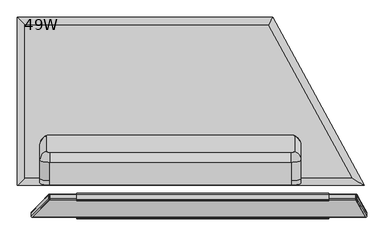
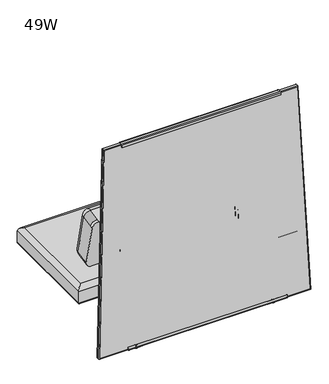
"""IFC4 building model written with IfcOpenShell, lengths in millimetres: furniture geometry, 49W."""

from ifc_helpers import new_model, si_unit, point, frame, frame_2d, origin, place, context, project, spatial, polyline, circle_curve, ellipse_curve, trimmed, segment, composite_curve, outline, extrude, source, transform, mapped, element, save
from ifc_brep_helpers import plane_surface, cylinder_surface, revolved_surface, advanced_brep


def furniture_49w_f621fc2a(model_context):
    return source(origin(), model_context, "Body", "SolidModel", [
        extrude(outline(composite_curve([segment(trimmed(circle_curve(frame_2d((0.0, -1.3809271)), 1.3809271), [point((0.0, -2.7618542))], [point((1.380927, -1.3809275))], True, "CARTESIAN"), True, "CONTINUOUS"), segment(polyline([(1.380927, -1.3809275), (1.380933, 22.0070548)]), True, "CONTINUOUS"), segment(trimmed(circle_curve(frame_2d((0.0128466, 22.0070551)), 1.3680864), [point((1.380933, 22.0070548))], [point((0.0128466, 23.3751415))], True, "CARTESIAN"), True, "CONTINUOUS"), segment(polyline([(0.0128466, 23.3751415), (-29.8525087, 23.3751415)]), True, "CONTINUOUS"), segment(trimmed(circle_curve(frame_2d((-29.8525087, 28.1797797)), 4.8046382), [point((-29.8525087, 23.3751415))], [point((-34.6571469, 28.1797797))], False, "CARTESIAN"), True, "CONTINUOUS"), segment(polyline([(-34.6571469, 28.1797797), (-34.6571469, 46.0826012), (-31.6077448, 46.0826012), (-31.6077494, 28.2553863)]), True, "CONTINUOUS"), segment(trimmed(circle_curve(frame_2d((-30.2577073, 28.255386)), 1.3500421), [point((-31.6077494, 28.2553863))], [point((-30.2577073, 26.9053439))], True, "CARTESIAN"), True, "CONTINUOUS"), segment(polyline([(-30.2577073, 26.9053439), (-0.2870619, 26.9053439)]), True, "CONTINUOUS"), segment(trimmed(circle_curve(frame_2d((-0.2870619, 22.1894731)), 4.7158708), [point((-0.2870619, 26.9053439))], [point((4.428809, 22.1894719))], False, "CARTESIAN"), True, "CONTINUOUS"), segment(polyline([(4.428809, 22.1894719), (4.4288032, -0.6723231)]), True, "CONTINUOUS"), segment(trimmed(circle_curve(frame_2d((-0.7084719, -0.6723218)), 5.1372751), [point((4.4288032, -0.6723231))], [point((-0.7084719, -5.809597))], False, "CARTESIAN"), True, "CONTINUOUS"), segment(polyline([(-0.7084719, -5.809597), (-8.144073, -5.809597), (-8.144073, -2.7618542), (0.0, -2.7618542)]), True, "CONTINUOUS")], self_intersect=False)), frame((899.6751415, 51.2771859, 562.9379975), z_axis=(0.0, 0.08715574274766424, 0.996194698091745), x_axis=(0.0, 0.996194698091745, -0.08715574274766424)), (0.0, 0.0, 1.0), 51.1352235),
        extrude(outline(composite_curve([segment(polyline([(-2.4039227, 19.3703361), (-18.8919156, 20.2344351)]), True, "CONTINUOUS"), segment(trimmed(circle_curve(frame_2d((-18.6526375, 24.800132)), 4.5719626), [point((-18.8919156, 20.2344351))], [point((-23.2162566, 25.0762164))], False, "CARTESIAN"), True, "CONTINUOUS"), segment(polyline([(-23.2162566, 25.0762164), (-22.4585421, 39.5342703), (-20.1749938, 39.4145946), (-20.9327541, 24.95567)]), True, "CONTINUOUS"), segment(trimmed(circle_curve(frame_2d((-18.6507538, 24.8360754)), 2.285132), [point((-20.9327541, 24.95567))], [point((-18.7703484, 22.5540751))], True, "CARTESIAN"), True, "CONTINUOUS"), segment(polyline([(-18.7703484, 22.5540751), (-2.2823555, 21.689976)]), True, "CONTINUOUS"), segment(trimmed(circle_curve(frame_2d((-2.1627609, 23.9719763)), 2.285132), [point((-2.2823555, 21.689976))], [point((0.1192394, 23.8523818))], True, "CARTESIAN"), True, "CONTINUOUS"), segment(polyline([(0.1192394, 23.8523818), (0.8769993, 38.3113064), (3.1606988, 38.1916228), (2.4031314, 23.7363749)]), True, "CONTINUOUS"), segment(trimmed(circle_curve(frame_2d((-2.2023575, 23.9777383)), 4.6118092), [point((2.4031314, 23.7363749))], [point((-2.4039227, 19.3703361))], False, "CARTESIAN"), True, "CONTINUOUS")], self_intersect=False)), frame((215.9, 0.0, 0.0), z_axis=(1.0, 0.0, 0.0), x_axis=(0.0, 1.0, 0.0)), (0.0, 0.0, 1.0), 913.3357285),
        extrude(outline(composite_curve([segment(polyline([(8.144073, 0.0), (0.0, 0.0), (0.0, 3.0477428), (7.4356011, 3.0477428)]), True, "CONTINUOUS"), segment(trimmed(circle_curve(frame_2d((7.4356011, -2.0895324)), 5.1372751), [point((7.4356011, 3.0477428))], [point((12.5728762, -2.0895311))], False, "CARTESIAN"), True, "CONTINUOUS"), segment(polyline([(12.5728762, -2.0895311), (12.5728819, -24.9513261)]), True, "CONTINUOUS"), segment(trimmed(circle_curve(frame_2d((7.8570111, -24.9513273)), 4.7158708), [point((12.5728819, -24.9513261))], [point((7.8570142, -29.6671981))], False, "CARTESIAN"), True, "CONTINUOUS"), segment(polyline([(7.8570142, -29.6671981), (-22.1136353, -29.6671981)]), True, "CONTINUOUS"), segment(trimmed(circle_curve(frame_2d((-22.1136344, -31.0172402)), 1.3500421), [point((-22.1136353, -29.6671981))], [point((-23.4636765, -31.0172405))], True, "CARTESIAN"), True, "CONTINUOUS"), segment(polyline([(-23.4636765, -31.0172405), (-23.4636719, -48.8444554), (-26.513074, -48.8444554), (-26.513074, -31.423839)]), True, "CONTINUOUS"), segment(trimmed(circle_curve(frame_2d((-21.7084358, -31.423839)), 4.8046382), [point((-26.513074, -31.423839))], [point((-21.7084389, -26.6192008))], False, "CARTESIAN"), True, "CONTINUOUS"), segment(polyline([(-21.7084389, -26.6192008), (8.1569205, -26.6192008)]), True, "CONTINUOUS"), segment(trimmed(circle_curve(frame_2d((8.1569196, -25.2511144)), 1.3680864), [point((8.1569205, -26.6192008))], [point((9.525006, -25.2511141))], True, "CARTESIAN"), True, "CONTINUOUS"), segment(polyline([(9.525006, -25.2511141), (9.525, -1.3809267)]), True, "CONTINUOUS"), segment(trimmed(circle_curve(frame_2d((8.144073, -1.3809271)), 1.3809271), [point((9.525, -1.3809267))], [point((8.144073, 0.0))], True, "CARTESIAN"), True, "CONTINUOUS")], self_intersect=False)), frame((215.1630043, 43.1641036, 563.6478002), z_axis=(0.0, 0.08715574274766426, 0.996194698091745), x_axis=(0.0, 0.996194698091745, -0.08715574274766426)), (0.0, 0.0, 1.0), 51.1352235),
        extrude(outline(composite_curve([segment(polyline([(8.1440729, 0.0), (0.0, 0.0), (0.0, 3.0477428), (7.435601, 3.0477428)]), True, "CONTINUOUS"), segment(trimmed(circle_curve(frame_2d((7.435601, -2.0895324)), 5.1372751), [point((7.435601, 3.0477428))], [point((12.5728761, -2.0895311))], False, "CARTESIAN"), True, "CONTINUOUS"), segment(polyline([(12.5728761, -2.0895311), (12.5728819, -24.9513338)]), True, "CONTINUOUS"), segment(trimmed(circle_curve(frame_2d((7.8570111, -24.951335)), 4.7158708), [point((12.5728819, -24.9513338))], [point((7.8570111, -29.6672059))], False, "CARTESIAN"), True, "CONTINUOUS"), segment(polyline([(7.8570111, -29.6672059), (-10.2073845, -29.6672059)]), True, "CONTINUOUS"), segment(trimmed(circle_curve(frame_2d((-10.2073845, -31.017248)), 1.3500421), [point((-10.2073845, -29.6672059))], [point((-11.5574266, -31.0172483))], True, "CARTESIAN"), True, "CONTINUOUS"), segment(polyline([(-11.5574266, -31.0172483), (-11.5574219, -48.8444632), (-14.606824, -48.8444632), (-14.606824, -31.4238468)]), True, "CONTINUOUS"), segment(trimmed(circle_curve(frame_2d((-9.8021859, -31.4238468)), 4.8046382), [point((-14.606824, -31.4238468))], [point((-9.8021859, -26.6192086))], False, "CARTESIAN"), True, "CONTINUOUS"), segment(polyline([(-9.8021859, -26.6192086), (8.1569196, -26.6192086)]), True, "CONTINUOUS"), segment(trimmed(circle_curve(frame_2d((8.1569196, -25.2511222)), 1.3680864), [point((8.1569196, -26.6192086))], [point((9.525006, -25.2511218))], True, "CARTESIAN"), True, "CONTINUOUS"), segment(polyline([(9.525006, -25.2511218), (9.525, -1.3809267)]), True, "CONTINUOUS"), segment(trimmed(circle_curve(frame_2d((8.1440729, -1.3809271)), 1.3809271), [point((9.525, -1.3809267))], [point((8.1440729, 0.0))], True, "CARTESIAN"), True, "CONTINUOUS")], self_intersect=False)), frame((215.1630043, 24.2408127, 144.8059002), z_axis=(0.0, 0.05233595624294945, 0.9986295347545736), x_axis=(0.0, 0.9986295347545736, -0.05233595624294945)), (0.0, 0.0, 1.0), 50.4083184),
        extrude(outline(composite_curve([segment(polyline([(-18.5911719, 20.5975436), (21.1676183, 20.5975436)]), True, "CONTINUOUS"), segment(trimmed(circle_curve(frame_2d((21.1676183, 22.2066346)), 1.609091), [point((21.1676183, 20.5975436))], [point((22.7108138, 22.6623993))], True, "CARTESIAN"), True, "CONTINUOUS"), segment(polyline([(22.7108138, 22.6623993), (4.5957637, 83.9990238), (4.5957637, 96.8063842), (8.0168765, 96.8063842), (8.0168765, 84.5839696), (25.9416036, 23.891769)]), True, "CONTINUOUS"), segment(trimmed(circle_curve(frame_2d((20.9377121, 22.4139285)), 5.217561), [point((25.9416036, 23.891769))], [point((20.9377121, 17.1963676))], False, "CARTESIAN"), True, "CONTINUOUS"), segment(polyline([(20.9377121, 17.1963676), (-17.0817223, 17.1963676)]), True, "CONTINUOUS"), segment(trimmed(circle_curve(frame_2d((-17.0817223, 22.1226629)), 4.9262954), [point((-17.0817223, 17.1963676))], [point((-22.0080176, 22.1226629))], False, "CARTESIAN"), True, "CONTINUOUS"), segment(polyline([(-22.0080176, 22.1226629), (-22.0080176, 36.4727737), (-18.5911719, 36.4727737), (-18.5911719, 20.5975436)]), True, "CONTINUOUS")], self_intersect=False)), frame((1052.8411576, 0.0, 0.0), z_axis=(1.0, 0.0, 0.0), x_axis=(0.0, 1.0, 0.0)), (0.0, 0.0, 1.0), 25.4),
        extrude(outline(composite_curve([segment(trimmed(circle_curve(frame_2d((1068.7752022, 13.6862365)), 15.0532637), [point((1056.7767002, 4.5957637))], [point((1055.6924381, 21.1321769))], False, "CARTESIAN"), True, "CONTINUOUS"), segment(polyline([(1055.6924381, 21.1321769), (1076.2740263, 21.1321769)]), True, "CONTINUOUS"), segment(trimmed(circle_curve(frame_2d((1063.1912621, 13.6862365)), 15.0532637), [point((1076.2740263, 21.1321769))], [point((1075.1897641, 4.5957637))], False, "CARTESIAN"), True, "CONTINUOUS"), segment(polyline([(1075.1897641, 4.5957637), (1056.7767002, 4.5957637)]), True, "CONTINUOUS")], self_intersect=False)), frame((0.0, 0.0, 13.858606), z_axis=(0.0, 0.0, 1.0), x_axis=(1.0, 0.0, 0.0)), (0.0, 0.0, 1.0), 3.3377616),
        advanced_brep(
        [(1065.5411576, 16.1234282, 14.8752118), (1065.5411576, 16.7103659, 13.858606), (1065.5411576, 8.9130793, 13.858606), (1065.5411576, 9.500017, 14.8752118), (1065.5411576, 20.7423395, 11.2402116), (1065.5411576, 4.8811056, 11.2402116), (1065.5411576, 20.7423395, 8.74896), (1065.5411576, 4.8811056, 8.74896), (1065.5411576, 19.1606704, 8.74896), (1065.5411576, 6.4627748, 8.74896), (1065.5411576, 24.0202895, 5.9432577), (1065.5411576, 1.6031557, 5.9432577), (1065.5411576, 27.2109452, 3.5556814), (1065.5411576, -1.5875, 3.5556814), (1065.5411576, 25.1580539, 0.0), (1065.5411576, 0.4653912, 0.0), (1065.5411576, 12.8117226, 0.0), (1065.5411576, 12.8117226, 17.1963676), (1065.5411576, 16.7630713, 17.1963676), (1065.5411576, 8.8603739, 17.1963676), (1065.5411576, 16.7630713, 15.514855), (1065.5411576, 8.8603739, 15.514855)],
        [
            (0, 1),
            (1, 2, circle_curve(frame((1065.5411576, 12.8117226, 13.858606), z_axis=(0.0, 0.0, 1.0), x_axis=(0.0, -1.0, 0.0)), 3.8986433)),
            (2, 3),
            (3, 0, circle_curve(frame((1065.5411576, 12.8117226, 14.8752118), z_axis=(0.0, 0.0, -1.0), x_axis=(0.0, -1.0, 0.0)), 3.3117056)),
            (2, 1, circle_curve(frame((1065.5411576, 12.8117226, 13.858606), z_axis=(0.0, 0.0, 1.0), x_axis=(0.0, -1.0, 0.0)), 3.8986433)),
            (0, 3, circle_curve(frame((1065.5411576, 12.8117226, 14.8752118), z_axis=(0.0, 0.0, -1.0), x_axis=(0.0, -1.0, 0.0)), 3.3117056)),
            (1, 4),
            (4, 5, circle_curve(frame((1065.5411576, 12.8117226, 11.2402116), z_axis=(0.0, 0.0, 1.0), x_axis=(0.0, -1.0, 0.0)), 7.930617)),
            (5, 2),
            (5, 4, circle_curve(frame((1065.5411576, 12.8117226, 11.2402116), z_axis=(0.0, 0.0, 1.0), x_axis=(0.0, -1.0, 0.0)), 7.930617)),
            (4, 6),
            (6, 7, circle_curve(frame((1065.5411576, 12.8117226, 8.74896), z_axis=(0.0, 0.0, 1.0), x_axis=(0.0, -1.0, 0.0)), 7.930617)),
            (7, 5),
            (7, 6, circle_curve(frame((1065.5411576, 12.8117226, 8.74896), z_axis=(0.0, 0.0, 1.0), x_axis=(0.0, -1.0, 0.0)), 7.930617)),
            (6, 8),
            (8, 9, circle_curve(frame((1065.5411576, 12.8117226, 8.74896), z_axis=(0.0, 0.0, 1.0), x_axis=(0.0, -1.0, 0.0)), 6.3489478)),
            (9, 7),
            (9, 8, circle_curve(frame((1065.5411576, 12.8117226, 8.74896), z_axis=(0.0, 0.0, 1.0), x_axis=(0.0, -1.0, 0.0)), 6.3489478)),
            (8, 10, circle_curve(frame((1065.5411576, 23.6729154, 10.9529929), z_axis=(1.0, 0.0, 0.0), x_axis=(0.0, -1.0, 0.0)), 5.0217642)),
            (10, 11, circle_curve(frame((1065.5411576, 12.8117226, 5.9432577), z_axis=(0.0, 0.0, 1.0), x_axis=(0.0, -1.0, 0.0)), 11.2085669)),
            (11, 9, circle_curve(frame((1065.5411576, 1.9505298, 10.9529929), z_axis=(1.0, 0.0, 0.0), x_axis=(0.0, 1.0, 0.0)), 5.0217642)),
            (11, 10, circle_curve(frame((1065.5411576, 12.8117226, 5.9432577), z_axis=(0.0, 0.0, 1.0), x_axis=(0.0, -1.0, 0.0)), 11.2085669)),
            (10, 12, circle_curve(frame((1065.5411576, 24.2313377, 2.8995769), z_axis=(-1.0, 0.0, 0.0), x_axis=(0.0, -1.0, 0.0)), 3.050989)),
            (12, 13, circle_curve(frame((1065.5411576, 12.8117226, 3.5556814), z_axis=(0.0, 0.0, 1.0), x_axis=(0.0, -1.0, 0.0)), 14.3992226)),
            (13, 11, circle_curve(frame((1065.5411576, 1.3921075, 2.8995769), z_axis=(-1.0, 0.0, 0.0), x_axis=(0.0, 1.0, 0.0)), 3.050989)),
            (13, 12, circle_curve(frame((1065.5411576, 12.8117226, 3.5556814), z_axis=(0.0, 0.0, 1.0), x_axis=(0.0, -1.0, 0.0)), 14.3992226)),
            (12, 14),
            (14, 15, circle_curve(frame((1065.5411576, 12.8117226, 0.0), z_axis=(0.0, 0.0, 1.0), x_axis=(0.0, -1.0, 0.0)), 12.3463313)),
            (15, 13),
            (15, 14, circle_curve(frame((1065.5411576, 12.8117226, 0.0), z_axis=(0.0, 0.0, 1.0), x_axis=(0.0, -1.0, 0.0)), 12.3463313)),
            (14, 16),
            (16, 15),
            (17, 18),
            (18, 19, circle_curve(frame((1065.5411576, 12.8117226, 17.1963676), z_axis=(0.0, 0.0, 1.0), x_axis=(0.0, -1.0, 0.0)), 3.9513487)),
            (19, 17),
            (19, 18, circle_curve(frame((1065.5411576, 12.8117226, 17.1963676), z_axis=(0.0, 0.0, 1.0), x_axis=(0.0, -1.0, 0.0)), 3.9513487)),
            (18, 20),
            (20, 21, circle_curve(frame((1065.5411576, 12.8117226, 15.514855), z_axis=(0.0, 0.0, 1.0), x_axis=(0.0, -1.0, 0.0)), 3.9513487)),
            (21, 19),
            (21, 20, circle_curve(frame((1065.5411576, 12.8117226, 15.514855), z_axis=(0.0, 0.0, 1.0), x_axis=(0.0, -1.0, 0.0)), 3.9513487)),
            (20, 0),
            (3, 21),
        ],
        [
            revolved_surface(polyline([(1065.5411576, 8.9130793, 13.858606), (1065.5411576, 9.500017, 14.8752118)]), (1065.5411576, 12.8117226, 0.0), (0.0, 0.0, 1.0)),
            revolved_surface(polyline([(1065.5411576, 4.8811056, 11.2402116), (1065.5411576, 8.9130793, 13.858606)]), (1065.5411576, 12.8117226, 0.0), (0.0, 0.0, 1.0)),
            cylinder_surface(frame((1065.5411576, 12.8117226, 0.0), z_axis=(0.0, 0.0, 1.0), x_axis=(0.0, -1.0, 0.0)), 7.930617),
            plane_surface(frame((1065.5411576, 12.8117226, 8.74896), z_axis=(0.0, 0.0, -1.0), x_axis=(0.0, -1.0, 0.0))),
            revolved_surface(trimmed(ellipse_curve(frame((1065.5411576, 1.9505298, 10.9529929), z_axis=(1.0, 0.0, 0.0), x_axis=(0.0, 1.0, 0.0)), 5.0217642, 5.0217642), [point((1065.5411576, 1.6031557, 5.9432577))], [point((1065.5411576, 6.4627748, 8.74896))], True, "CARTESIAN"), (1065.5411576, 12.8117226, 0.0), (0.0, 0.0, 1.0)),
            revolved_surface(trimmed(ellipse_curve(frame((1065.5411576, 1.3921075, 2.8995769), z_axis=(-1.0, 0.0, 0.0), x_axis=(0.0, 1.0, 0.0)), 3.050989, 3.050989), [point((1065.5411576, -1.5875, 3.5556814))], [point((1065.5411576, 1.6031557, 5.9432577))], True, "CARTESIAN"), (1065.5411576, 12.8117226, 0.0), (0.0, 0.0, 1.0)),
            revolved_surface(polyline([(1065.5411576, 0.4653912, 0.0), (1065.5411576, -1.5875, 3.5556814)]), (1065.5411576, 12.8117226, 0.0), (0.0, 0.0, 1.0)),
            plane_surface(frame((1065.5411576, 12.8117226, 0.0), z_axis=(0.0, 0.0, -1.0), x_axis=(0.0, -1.0, 0.0))),
            plane_surface(frame((1065.5411576, 12.8117226, 17.1963676), z_axis=(0.0, 0.0, 1.0), x_axis=(0.0, -1.0, 0.0))),
            cylinder_surface(frame((1065.5411576, 12.8117226, 0.0), z_axis=(0.0, 0.0, 1.0), x_axis=(0.0, -1.0, 0.0)), 3.9513487),
            revolved_surface(polyline([(1065.5411576, 9.500017, 14.8752118), (1065.5411576, 8.8603739, 15.514855)]), (1065.5411576, 12.8117226, 0.0), (0.0, 0.0, 1.0)),
        ],
        [
            (0, [[1, 2, 3, 4]]),
            (0, [[-3, 5, -1, 6]]),
            (1, [[7, 8, 9, -2]]),
            (1, [[-9, 10, -7, -5]]),
            (2, [[11, 12, 13, -8]]),
            (2, [[-13, 14, -11, -10]]),
            (3, [[15, 16, 17, -12]]),
            (3, [[-17, 18, -15, -14]]),
            (4, [[19, 20, 21, -16]]),
            (4, [[-21, 22, -19, -18]]),
            (5, [[23, 24, 25, -20]]),
            (5, [[-25, 26, -23, -22]]),
            (6, [[27, 28, 29, -24]]),
            (6, [[-29, 30, -27, -26]]),
            (7, [[31, 32, -28]]),
            (7, [[-32, -31, -30]]),
            (8, [[33, 34, 35]]),
            (8, [[-35, 36, -33]]),
            (9, [[37, 38, 39, -34]]),
            (9, [[-39, 40, -37, -36]]),
            (10, [[41, -4, 42, -38]]),
            (10, [[-42, -6, -41, -40]]),
        ],
    ),
        extrude(outline(composite_curve([segment(polyline([(288.427787, 4.5957637), (270.0147231, 4.5957637)]), True, "CONTINUOUS"), segment(trimmed(circle_curve(frame_2d((282.0132252, 13.6862365)), 15.0532637), [point((270.0147231, 4.5957637))], [point((268.930461, 21.1321769))], False, "CARTESIAN"), True, "CONTINUOUS"), segment(polyline([(268.930461, 21.1321769), (289.5120492, 21.1321769)]), True, "CONTINUOUS"), segment(trimmed(circle_curve(frame_2d((276.429285, 13.6862365)), 15.0532637), [point((289.5120492, 21.1321769))], [point((288.427787, 4.5957637))], False, "CARTESIAN"), True, "CONTINUOUS")], self_intersect=False)), frame((0.0, 0.0, 13.858606), z_axis=(0.0, 0.0, 1.0), x_axis=(1.0, 0.0, 0.0)), (0.0, 0.0, 1.0), 3.3377616),
        advanced_brep(
        [(279.230466, 16.7103659, 13.858606), (279.230466, 16.1234282, 14.8752118), (279.230466, 9.500017, 14.8752118), (279.230466, 8.9130793, 13.858606), (279.230466, 20.7423395, 11.2402116), (279.230466, 4.8811056, 11.2402116), (279.230466, 20.7423395, 8.74896), (279.230466, 4.8811056, 8.74896), (279.230466, 19.1606704, 8.74896), (279.230466, 6.4627748, 8.74896), (279.230466, 24.0202895, 5.9432577), (279.230466, 1.6031557, 5.9432577), (279.230466, 27.2109452, 3.5556814), (279.230466, -1.5875, 3.5556814), (279.230466, 25.1580539, 0.0), (279.230466, 0.4653912, 0.0), (279.230466, 12.8117226, 0.0), (279.230466, 16.7630713, 17.1963676), (279.230466, 12.8117226, 17.1963676), (279.230466, 8.8603739, 17.1963676), (279.230466, 16.7630713, 15.514855), (279.230466, 8.8603739, 15.514855)],
        [
            (0, 1),
            (1, 2, circle_curve(frame((279.230466, 12.8117226, 14.8752118), z_axis=(0.0, 0.0, -1.0), x_axis=(0.0, -1.0, 0.0)), 3.3117056)),
            (2, 3),
            (3, 0, circle_curve(frame((279.230466, 12.8117226, 13.858606), z_axis=(0.0, 0.0, 1.0), x_axis=(0.0, -1.0, 0.0)), 3.8986433)),
            (2, 1, circle_curve(frame((279.230466, 12.8117226, 14.8752118), z_axis=(0.0, 0.0, -1.0), x_axis=(0.0, -1.0, 0.0)), 3.3117056)),
            (0, 3, circle_curve(frame((279.230466, 12.8117226, 13.858606), z_axis=(0.0, 0.0, 1.0), x_axis=(0.0, -1.0, 0.0)), 3.8986433)),
            (4, 0),
            (3, 5),
            (5, 4, circle_curve(frame((279.230466, 12.8117226, 11.2402116), z_axis=(0.0, 0.0, 1.0), x_axis=(0.0, -1.0, 0.0)), 7.930617)),
            (4, 5, circle_curve(frame((279.230466, 12.8117226, 11.2402116), z_axis=(0.0, 0.0, 1.0), x_axis=(0.0, -1.0, 0.0)), 7.930617)),
            (6, 4),
            (5, 7),
            (7, 6, circle_curve(frame((279.230466, 12.8117226, 8.74896), z_axis=(0.0, 0.0, 1.0), x_axis=(0.0, -1.0, 0.0)), 7.930617)),
            (6, 7, circle_curve(frame((279.230466, 12.8117226, 8.74896), z_axis=(0.0, 0.0, 1.0), x_axis=(0.0, -1.0, 0.0)), 7.930617)),
            (8, 6),
            (7, 9),
            (9, 8, circle_curve(frame((279.230466, 12.8117226, 8.74896), z_axis=(0.0, 0.0, 1.0), x_axis=(0.0, -1.0, 0.0)), 6.3489478)),
            (8, 9, circle_curve(frame((279.230466, 12.8117226, 8.74896), z_axis=(0.0, 0.0, 1.0), x_axis=(0.0, -1.0, 0.0)), 6.3489478)),
            (10, 8, circle_curve(frame((279.230466, 23.6729154, 10.9529929), z_axis=(-1.0, 0.0, 0.0), x_axis=(0.0, -1.0, 0.0)), 5.0217642)),
            (9, 11, circle_curve(frame((279.230466, 1.9505298, 10.9529929), z_axis=(-1.0, 0.0, 0.0), x_axis=(0.0, 1.0, 0.0)), 5.0217642)),
            (11, 10, circle_curve(frame((279.230466, 12.8117226, 5.9432577), z_axis=(0.0, 0.0, 1.0), x_axis=(0.0, -1.0, 0.0)), 11.2085669)),
            (10, 11, circle_curve(frame((279.230466, 12.8117226, 5.9432577), z_axis=(0.0, 0.0, 1.0), x_axis=(0.0, -1.0, 0.0)), 11.2085669)),
            (12, 10, circle_curve(frame((279.230466, 24.2313377, 2.8995769), z_axis=(1.0, 0.0, 0.0), x_axis=(0.0, -1.0, 0.0)), 3.050989)),
            (11, 13, circle_curve(frame((279.230466, 1.3921075, 2.8995769), z_axis=(1.0, 0.0, 0.0), x_axis=(0.0, 1.0, 0.0)), 3.050989)),
            (13, 12, circle_curve(frame((279.230466, 12.8117226, 3.5556814), z_axis=(0.0, 0.0, 1.0), x_axis=(0.0, -1.0, 0.0)), 14.3992226)),
            (12, 13, circle_curve(frame((279.230466, 12.8117226, 3.5556814), z_axis=(0.0, 0.0, 1.0), x_axis=(0.0, -1.0, 0.0)), 14.3992226)),
            (14, 12),
            (13, 15),
            (15, 14, circle_curve(frame((279.230466, 12.8117226, 0.0), z_axis=(0.0, 0.0, 1.0), x_axis=(0.0, -1.0, 0.0)), 12.3463313)),
            (14, 15, circle_curve(frame((279.230466, 12.8117226, 0.0), z_axis=(0.0, 0.0, 1.0), x_axis=(0.0, -1.0, 0.0)), 12.3463313)),
            (16, 14),
            (15, 16),
            (17, 18),
            (18, 19),
            (19, 17, circle_curve(frame((279.230466, 12.8117226, 17.1963676), z_axis=(0.0, 0.0, 1.0), x_axis=(0.0, -1.0, 0.0)), 3.9513487)),
            (17, 19, circle_curve(frame((279.230466, 12.8117226, 17.1963676), z_axis=(0.0, 0.0, 1.0), x_axis=(0.0, -1.0, 0.0)), 3.9513487)),
            (20, 17),
            (19, 21),
            (21, 20, circle_curve(frame((279.230466, 12.8117226, 15.514855), z_axis=(0.0, 0.0, 1.0), x_axis=(0.0, -1.0, 0.0)), 3.9513487)),
            (20, 21, circle_curve(frame((279.230466, 12.8117226, 15.514855), z_axis=(0.0, 0.0, 1.0), x_axis=(0.0, -1.0, 0.0)), 3.9513487)),
            (1, 20),
            (21, 2),
        ],
        [
            revolved_surface(polyline([(279.230466, 9.500017, 14.8752118), (279.230466, 8.9130793, 13.858606)]), (279.230466, 12.8117226, 0.0), (0.0, 0.0, -1.0)),
            revolved_surface(polyline([(279.230466, 8.9130793, 13.858606), (279.230466, 4.8811056, 11.2402116)]), (279.230466, 12.8117226, 0.0), (0.0, 0.0, -1.0)),
            cylinder_surface(frame((279.230466, 12.8117226, 0.0), z_axis=(0.0, 0.0, -1.0), x_axis=(0.0, -1.0, 0.0)), 7.930617),
            plane_surface(frame((279.230466, 12.8117226, 8.74896), z_axis=(0.0, 0.0, -1.0), x_axis=(0.0, -1.0, 0.0))),
            revolved_surface(trimmed(ellipse_curve(frame((279.230466, 1.9505298, 10.9529929), z_axis=(-1.0, 0.0, 0.0), x_axis=(0.0, 1.0, 0.0)), 5.0217642, 5.0217642), [point((279.230466, 6.4627748, 8.74896))], [point((279.230466, 1.6031557, 5.9432577))], True, "CARTESIAN"), (279.230466, 12.8117226, 0.0), (0.0, 0.0, -1.0)),
            revolved_surface(trimmed(ellipse_curve(frame((279.230466, 1.3921075, 2.8995769), z_axis=(1.0, 0.0, 0.0), x_axis=(0.0, 1.0, 0.0)), 3.050989, 3.050989), [point((279.230466, 1.6031557, 5.9432577))], [point((279.230466, -1.5875, 3.5556814))], True, "CARTESIAN"), (279.230466, 12.8117226, 0.0), (0.0, 0.0, -1.0)),
            revolved_surface(polyline([(279.230466, -1.5875, 3.5556814), (279.230466, 0.4653912, 0.0)]), (279.230466, 12.8117226, 0.0), (0.0, 0.0, -1.0)),
            plane_surface(frame((279.230466, 12.8117226, 0.0), z_axis=(0.0, 0.0, -1.0), x_axis=(0.0, -1.0, 0.0))),
            plane_surface(frame((279.230466, 12.8117226, 17.1963676), z_axis=(0.0, 0.0, 1.0), x_axis=(0.0, -1.0, 0.0))),
            cylinder_surface(frame((279.230466, 12.8117226, 0.0), z_axis=(0.0, 0.0, -1.0), x_axis=(0.0, -1.0, 0.0)), 3.9513487),
            revolved_surface(polyline([(279.230466, 8.8603739, 15.514855), (279.230466, 9.500017, 14.8752118)]), (279.230466, 12.8117226, 0.0), (0.0, 0.0, -1.0)),
        ],
        [
            (0, [[1, 2, 3, 4]]),
            (0, [[-3, 5, -1, 6]]),
            (1, [[7, -4, 8, 9]]),
            (1, [[-8, -6, -7, 10]]),
            (2, [[11, -9, 12, 13]]),
            (2, [[-12, -10, -11, 14]]),
            (3, [[15, -13, 16, 17]]),
            (3, [[-16, -14, -15, 18]]),
            (4, [[19, -17, 20, 21]]),
            (4, [[-20, -18, -19, 22]]),
            (5, [[23, -21, 24, 25]]),
            (5, [[-24, -22, -23, 26]]),
            (6, [[27, -25, 28, 29]]),
            (6, [[-28, -26, -27, 30]]),
            (7, [[31, -29, 32]]),
            (7, [[-32, -30, -31]]),
            (8, [[33, 34, 35]]),
            (8, [[-34, -33, 36]]),
            (9, [[37, -35, 38, 39]]),
            (9, [[-38, -36, -37, 40]]),
            (10, [[41, -39, 42, -2]]),
            (10, [[-42, -40, -41, -5]]),
        ],
    ),
        extrude(outline(composite_curve([segment(polyline([(-18.5911719, 20.5975436), (21.1676183, 20.5975436)]), True, "CONTINUOUS"), segment(trimmed(circle_curve(frame_2d((21.1676183, 22.2066346)), 1.609091), [point((21.1676183, 20.5975436))], [point((22.7108138, 22.6623993))], True, "CARTESIAN"), True, "CONTINUOUS"), segment(polyline([(22.7108138, 22.6623993), (4.5957637, 83.9990238), (4.5957637, 96.8063842), (8.0168765, 96.8063842), (8.0168765, 84.5839696), (25.9416036, 23.891769)]), True, "CONTINUOUS"), segment(trimmed(circle_curve(frame_2d((20.9377121, 22.4139285)), 5.217561), [point((25.9416036, 23.891769))], [point((20.9377121, 17.1963676))], False, "CARTESIAN"), True, "CONTINUOUS"), segment(polyline([(20.9377121, 17.1963676), (-17.0817223, 17.1963676)]), True, "CONTINUOUS"), segment(trimmed(circle_curve(frame_2d((-17.0817223, 22.1226629)), 4.9262954), [point((-17.0817223, 17.1963676))], [point((-22.0080176, 22.1226629))], False, "CARTESIAN"), True, "CONTINUOUS"), segment(polyline([(-22.0080176, 22.1226629), (-22.0080176, 36.4727737), (-18.5911719, 36.4727737), (-18.5911719, 20.5975436)]), True, "CONTINUOUS")], self_intersect=False)), frame((259.8298168, 0.0, 0.0), z_axis=(1.0, 0.0, 0.0), x_axis=(0.0, 1.0, 0.0)), (0.0, 0.0, 1.0), 38.8216493),
        extrude(outline(composite_curve([segment(trimmed(circle_curve(frame_2d((63.1940023, 1224.9956981)), 4.6118092), [point((63.475146, 1229.5989299))], [point((67.7994912, 1224.7543347))], False, "CARTESIAN"), True, "CONTINUOUS"), segment(polyline([(67.7994912, 1224.7543347), (67.0419238, 1210.2990868), (64.7582243, 1210.4187704), (65.5159844, 1224.877695)]), True, "CONTINUOUS"), segment(trimmed(circle_curve(frame_2d((63.2339843, 1224.9972896)), 2.285132), [point((65.5159844, 1224.877695))], [point((63.3535789, 1227.2792899))], True, "CARTESIAN"), True, "CONTINUOUS"), segment(polyline([(63.3535789, 1227.2792899), (46.865586, 1228.143389)]), True, "CONTINUOUS"), segment(trimmed(circle_curve(frame_2d((46.7459914, 1225.8613887)), 2.285132), [point((46.865586, 1228.143389))], [point((44.4639911, 1225.9809832))], True, "CARTESIAN"), True, "CONTINUOUS"), segment(polyline([(44.4639911, 1225.9809832), (43.7062311, 1211.5220586), (41.4226828, 1211.6417343), (42.1803973, 1226.0997882)]), True, "CONTINUOUS"), segment(trimmed(circle_curve(frame_2d((46.7478751, 1225.8973321)), 4.5719626), [point((42.1803973, 1226.0997882))], [point((46.9871532, 1230.463029))], False, "CARTESIAN"), True, "CONTINUOUS"), segment(polyline([(46.9871532, 1230.463029), (63.475146, 1229.5989299)]), True, "CONTINUOUS")], self_intersect=False)), frame((215.9, 0.0, 0.0), z_axis=(1.0, 0.0, 0.0), x_axis=(0.0, 1.0, 0.0)), (0.0, 0.0, 1.0), 913.3357285),
        advanced_brep(
        [(116.7587904, 44.6733765, 1225.2510989), (53.8033308, -18.5975426, 25.6581603), (53.8033308, 1.8438792, 24.5800049), (116.7587904, 65.1147983, 1224.1729435), (113.9117948, 47.7971932, 1228.090615), (50.6418769, -15.78976, 22.5057899), (52.9683205, -18.6392784, 24.866865), (116.0068356, 44.7151123, 1226.0423941), (113.9117948, 62.30746, 1227.3252905), (50.6418769, -1.2794932, 21.7404653), (116.0072265, 65.1565125, 1224.9638274), (52.9687547, 1.8021651, 23.7891211), (1263.5765807, -18.5975426, 25.6581603), (1263.5765807, 1.8438792, 24.5800049), (1266.6670513, -15.78976, 22.5057899), (1264.3928427, -18.6392784, 24.866865), (1266.6670513, -1.2794932, 21.7404653), (1264.3924183, 1.8021651, 23.7891211), (1227.9236697, 44.6733765, 1225.2510989), (1227.9236697, 65.1147983, 1224.1729435), (1230.8360564, 47.7971932, 1228.090615), (1228.6928958, 44.7151123, 1226.0423941), (1230.8360564, 62.30746, 1227.3252905), (1228.6924958, 65.1565125, 1224.9638274)],
        [
            (0, 1),
            (1, 2),
            (2, 3),
            (3, 0),
            (4, 5),
            (5, 6, ellipse_curve(frame((53.910174, -15.6264027, 25.6029828), z_axis=(-0.6883545539158888, 0.038205793211199456, 0.7243675347973297), x_axis=(0.7253743916787094, 0.03625594182065723, 0.6873990824691573)), 4.5056693, 3.101498)),
            (6, 7),
            (7, 4, ellipse_curve(frame((116.8550063, 47.6338359, 1224.9934221), z_axis=(-0.7253743916787091, -0.03625594182065722, -0.6873990824691575), x_axis=(-0.6883545539158888, 0.038205793211199476, 0.7243675347973296)), 4.2757202, 3.101498)),
            (8, 9),
            (9, 5),
            (4, 8),
            (10, 11),
            (11, 9, ellipse_curve(frame((53.9093678, -1.1161762, 24.8368943), z_axis=(-0.6883545539158888, 0.038205793211199456, 0.7243675347973297), x_axis=(0.7253743916787094, 0.03625594182065723, 0.6873990824691573)), 4.5045579, 3.1007329)),
            (8, 10, ellipse_curve(frame((116.8542803, 62.144143, 1224.2288616), z_axis=(-0.7253743916787091, -0.03625594182065722, -0.6873990824691575), x_axis=(-0.6883545539158888, 0.038205793211199476, 0.7243675347973296)), 4.2746655, 3.1007329)),
            (1, 12),
            (12, 13),
            (13, 2),
            (5, 14),
            (14, 15, ellipse_curve(frame((1263.4721364, -15.6264027, 25.6029828), z_axis=(-0.6965391146472958, -0.03779203691500148, -0.7165228703343505), x_axis=(-0.7175188232836552, 0.03668702629016127, 0.695572282610243)), 4.4527262, 3.101498)),
            (15, 6),
            (9, 16),
            (16, 14),
            (11, 17),
            (17, 16, ellipse_curve(frame((1263.4729245, -1.1161762, 24.8368943), z_axis=(-0.6965391146472958, -0.03779203691500148, -0.7165228703343505), x_axis=(-0.7175188232836552, 0.03668702629016127, 0.695572282610243)), 4.4516278, 3.1007329)),
            (12, 18),
            (18, 19),
            (19, 13),
            (14, 20),
            (20, 21, ellipse_curve(frame((1227.8252439, 47.6338359, 1224.9934221), z_axis=(0.7175188232836552, -0.036687026290161275, -0.6955722826102428), x_axis=(-0.6965391146472956, -0.03779203691500147, -0.7165228703343507)), 4.3225318, 3.101498)),
            (21, 15),
            (16, 22),
            (22, 20),
            (17, 23),
            (23, 22, ellipse_curve(frame((1227.8259865, 62.144143, 1224.2288616), z_axis=(0.7175188232836552, -0.036687026290161275, -0.6955722826102428), x_axis=(-0.6965391146472956, -0.03779203691500147, -0.7165228703343507)), 4.3214656, 3.1007329)),
            (18, 0),
            (3, 19),
            (21, 7),
            (20, 4),
            (22, 8),
            (23, 10),
        ],
        [
            plane_surface(frame((116.7587904, 65.1147983, 1224.1729435), z_axis=(0.9986295316120145, -0.0027565613504242073, -0.05226337113017064), x_axis=(-0.05233601620651505, -0.05259826348579585, -0.997243382573136))),
            cylinder_surface(frame((116.8600419, 47.6388967, 1225.0893728), z_axis=(0.05233601620651508, 0.052598263485795826, 0.9972433825731362), x_axis=(0.9986295316120145, -0.0027565613504174436, -0.05226337113017102)), 3.101498),
            plane_surface(frame((113.9117948, 47.7971932, 1228.090615), z_axis=(-0.9986295316120144, 0.002756561350415666, 0.05226337113017111), x_axis=(-0.052336016206515075, -0.05259826348579585, -0.997243382573136))),
            cylinder_surface(frame((116.8592779, 62.1491656, 1224.3240882), z_axis=(0.05233601620651508, 0.052598263485795826, 0.9972433825731362), x_axis=(0.9986295316120145, -0.0027565613504174436, -0.05226337113017102)), 3.1007329),
            plane_surface(frame((53.8033308, 1.8438792, 24.5800049), z_axis=(0.0, 0.05267044666792856, 0.9986119486806679), x_axis=(1.0, 0.0, 0.0))),
            cylinder_surface(frame((53.8033308, -15.6264027, 25.6029828), z_axis=(-1.0000000000000002, 0.0, 0.0), x_axis=(0.0, 0.05267044666793532, 0.9986119486806676)), 3.101498),
            plane_surface(frame((50.6418769, -15.78976, 22.5057899), z_axis=(0.0, -0.0526704466679371, -0.9986119486806675), x_axis=(1.0, 0.0, 0.0))),
            cylinder_surface(frame((53.8033308, -1.1161762, 24.8368943), z_axis=(-1.0000000000000002, 0.0, 0.0), x_axis=(0.0, 0.05267044666793532, 0.9986119486806676)), 3.1007329),
            plane_surface(frame((1263.5765807, 1.8438792, 24.5800049), z_axis=(-0.9995598518255335, -0.0015625490455600604, -0.029625344875592673), x_axis=(-0.02966652353272263, 0.052647263866986094, 0.9981724114544553))),
            cylinder_surface(frame((1263.4752349, -15.6319014, 25.4987294), z_axis=(0.029666523532722717, -0.05264726386698609, -0.9981724114544553), x_axis=(-0.9995598518255335, -0.0015625490455533147, -0.029625344875593117)), 3.101498),
            plane_surface(frame((1266.6670513, -15.78976, 22.5057899), z_axis=(0.9995598518255335, 0.0015625490455515206, 0.029625344875593), x_axis=(-0.029666523532722505, 0.05264726386698609, 0.9981724114544553))),
            cylinder_surface(frame((1263.4759996, -1.1216335, 24.7334275), z_axis=(0.029666523532722717, -0.05264726386698609, -0.9981724114544553), x_axis=(-0.9995598518255335, -0.0015625490455533147, -0.029625344875593117)), 3.1007329),
            plane_surface(frame((1227.9236697, 65.1147983, 1224.1729435), z_axis=(0.0, -0.05267044666794205, -0.9986119486806672), x_axis=(-1.0, 0.0, 0.0))),
            plane_surface(frame((1227.9236697, 44.6733765, 1225.2510989), z_axis=(0.0, -0.9986119486806676, 0.05267044666793407), x_axis=(-1.0, 0.0, 0.0))),
            cylinder_surface(frame((1227.9236697, 47.6338359, 1224.9934221), z_axis=(1.0, 0.0, 0.0), x_axis=(0.0, -0.052670446667935314, -0.9986119486806675)), 3.101498),
            plane_surface(frame((1230.8360564, 47.7971932, 1228.090615), z_axis=(0.0, 0.05267044666793351, 0.9986119486806676), x_axis=(-1.0, 0.0, 0.0))),
            cylinder_surface(frame((1227.9236697, 62.144143, 1224.2288616), z_axis=(1.0, 0.0, 0.0), x_axis=(0.0, -0.052670446667935314, -0.9986119486806675)), 3.1007329),
            plane_surface(frame((1228.6924958, 65.1565125, 1224.9638274), z_axis=(0.0, 0.9986119486806678, -0.0526704466679301), x_axis=(-1.0, 0.0, 0.0))),
        ],
        [
            (0, [[1, 2, 3, 4]]),
            (1, [[5, 6, 7, 8]]),
            (2, [[9, 10, -5, 11]]),
            (3, [[12, 13, -9, 14]]),
            (4, [[15, 16, 17, -2]]),
            (5, [[18, 19, 20, -6]]),
            (6, [[21, 22, -18, -10]]),
            (7, [[23, 24, -21, -13]]),
            (8, [[25, 26, 27, -16]]),
            (9, [[28, 29, 30, -19]]),
            (10, [[31, 32, -28, -22]]),
            (11, [[33, 34, -31, -24]]),
            (12, [[35, -4, 36, -26]]),
            (13, [[-7, -20, -30, 37], [-1, -35, -25, -15]]),
            (14, [[38, -8, -37, -29]]),
            (15, [[39, -11, -38, -32]]),
            (16, [[40, -14, -39, -34]]),
            (17, [[-12, -40, -33, -23], [-3, -17, -27, -36]]),
        ],
    ),
        extrude(outline(polyline([(0.0, 0.0), (62.9554596, 1201.2603496), (1174.1203389, 1201.2603496), (1209.7732499, 0.0), (0.0, 0.0)])), frame((53.8033308, 1.8438792, 24.5800049), z_axis=(0.0, -0.9986119486806675, 0.0526704466679353), x_axis=(1.0, 0.0, 0.0)), (0.0, 0.0, 1.0), 20.469835),
        advanced_brep(
        [(116.7721752, 217.2921337, 767.8572736), (992.8225, 217.2921337, 767.8572736), (1005.5225, 220.1490121, 755.4827738), (1005.5225, 276.0967018, 513.1467057), (992.8225, 278.9535802, 500.7722059), (116.7721752, 278.9535802, 500.7722059), (104.0721752, 276.0967018, 513.1467057), (104.0721752, 220.1490121, 755.4827738), (116.7721752, 98.3553775, 763.566931), (81.4976079, 106.2904287, 729.1964486), (81.4976079, 162.2381183, 486.8603805), (116.7721752, 170.1731694, 452.4898981), (992.8225, 170.1731694, 452.4898981), (1028.0970673, 162.2381183, 486.8603805), (1028.0970673, 106.2904287, 729.1964486), (992.8225, 98.3553775, 763.566931), (992.8225, 113.2061417, 766.9955001), (992.8225, 179.8740623, 782.3870023), (116.7721752, 179.8740623, 782.3870023), (116.7721752, 113.2061417, 766.9955001), (1028.0970673, 121.1411928, 732.6250176), (1028.0970673, 177.0888824, 490.2889496), (1028.0970673, 243.7568031, 505.6804518), (1028.0970673, 187.8091134, 748.0165199), (992.8225, 185.0239336, 455.9184671), (116.7721752, 185.0239336, 455.9184671), (116.7721752, 251.6918542, 471.3099694), (992.8225, 251.6918542, 471.3099694), (81.4976079, 177.0888824, 490.2889496), (81.4976079, 121.1411928, 732.6250176), (81.4976079, 187.8091134, 748.0165199), (81.4976079, 243.7568031, 505.6804518)],
        [
            (0, 1),
            (1, 2, circle_curve(frame((992.8225, 220.1490121, 755.4827738), z_axis=(0.0, 0.9743700647852357, 0.22495105434386325), x_axis=(1.0, 0.0, 0.0)), 12.7)),
            (2, 3),
            (3, 4, circle_curve(frame((992.8225, 276.0967018, 513.1467057), z_axis=(0.0, 0.9743700647852357, 0.22495105434386325), x_axis=(0.0, 0.22495105434386325, -0.9743700647852357)), 12.7)),
            (4, 5),
            (5, 6, circle_curve(frame((116.7721752, 276.0967018, 513.1467057), z_axis=(0.0, 0.9743700647852357, 0.22495105434386325), x_axis=(-1.0000000000000002, 0.0, 0.0)), 12.7)),
            (6, 7),
            (7, 0, circle_curve(frame((116.7721752, 220.1490121, 755.4827738), z_axis=(0.0, 0.9743700647852357, 0.22495105434386325), x_axis=(0.0, -0.22495105434386325, 0.9743700647852357)), 12.7)),
            (8, 9, circle_curve(frame((116.7721752, 106.2904287, 729.1964486), z_axis=(0.0, -0.9743700647852356, -0.22495105434386348), x_axis=(-1.0, 0.0, 0.0)), 35.2745673)),
            (9, 10),
            (10, 11, circle_curve(frame((116.7721752, 162.2381183, 486.8603805), z_axis=(0.0, -0.9743700647852356, -0.22495105434386348), x_axis=(-1.0, 0.0, 0.0)), 35.2745673)),
            (11, 12),
            (12, 13, circle_curve(frame((992.8225, 162.2381183, 486.8603805), z_axis=(0.0, -0.9743700647852357, -0.22495105434386348), x_axis=(-1.0, 0.0, 0.0)), 35.2745673)),
            (13, 14),
            (14, 15, circle_curve(frame((992.8225, 106.2904287, 729.1964486), z_axis=(0.0, -0.9743700647852357, -0.22495105434386348), x_axis=(-1.0, 0.0, 0.0)), 35.2745673)),
            (15, 8),
            (15, 16),
            (16, 17),
            (17, 18),
            (18, 19),
            (19, 8),
            (14, 20),
            (20, 16, circle_curve(frame((992.8225, 121.1411928, 732.6250176), z_axis=(0.0, -0.9743700647852357, -0.22495105434386348), x_axis=(-1.0, 0.0, 0.0)), 35.2745673)),
            (13, 21),
            (21, 22),
            (22, 23),
            (23, 20),
            (12, 24),
            (24, 21, circle_curve(frame((992.8225, 177.0888824, 490.2889496), z_axis=(0.0, -0.9743700647852357, -0.22495105434386348), x_axis=(-1.0, 0.0, 0.0)), 35.2745673)),
            (11, 25),
            (25, 26),
            (26, 27),
            (27, 24),
            (10, 28),
            (28, 25, circle_curve(frame((116.7721752, 177.0888824, 490.2889496), z_axis=(0.0, -0.9743700647852356, -0.22495105434386348), x_axis=(-1.0, 0.0, 0.0)), 35.2745673)),
            (9, 29),
            (29, 30),
            (30, 31),
            (31, 28),
            (19, 29, circle_curve(frame((116.7721752, 121.1411928, 732.6250176), z_axis=(0.0, -0.9743700647852356, -0.22495105434386348), x_axis=(-1.0, 0.0, 0.0)), 35.2745673)),
            (18, 30, circle_curve(frame((116.7721752, 187.8091134, 748.0165199), z_axis=(0.0, -0.9743700647852357, -0.22495105434386325), x_axis=(0.0, -0.22495105434386325, 0.9743700647852357)), 35.2745673)),
            (31, 26, circle_curve(frame((116.7721752, 243.7568031, 505.6804518), z_axis=(0.0, -0.9743700647852357, -0.22495105434386325), x_axis=(-1.0000000000000002, 0.0, 0.0)), 35.2745673)),
            (27, 22, circle_curve(frame((992.8225, 243.7568031, 505.6804518), z_axis=(0.0, -0.9743700647852357, -0.22495105434386325), x_axis=(0.0, 0.22495105434386325, -0.9743700647852357)), 35.2745673)),
            (23, 17, circle_curve(frame((992.8225, 187.8091134, 748.0165199), z_axis=(0.0, -0.9743700647852357, -0.22495105434386325), x_axis=(1.0, 0.0, 0.0)), 35.2745673)),
            (18, 0, circle_curve(frame((116.7721752, 187.9018304, 747.6149186), z_axis=(-1.0000000000000004, 0.0, 0.0), x_axis=(0.0, 0.22495105434386323, -0.9743700647852357)), 35.6867324)),
            (7, 30, circle_curve(frame((117.1843403, 187.8091134, 748.0165199), z_axis=(0.0, -0.2249510543438633, 0.9743700647852357), x_axis=(1.0000000000000004, 0.0, 0.0)), 35.6867324)),
            (6, 31, circle_curve(frame((117.1843403, 243.7568031, 505.6804518), z_axis=(0.0, -0.22495105434386328, 0.9743700647852358), x_axis=(1.0, 0.0, 0.0)), 35.6867324)),
            (5, 26, circle_curve(frame((116.7721752, 243.6640861, 506.0820531), z_axis=(-1.0000000000000002, 0.0, 0.0), x_axis=(0.0, -0.22495105434386342, 0.9743700647852361)), 35.6867324)),
            (4, 27, circle_curve(frame((992.8225, 243.6640861, 506.0820531), z_axis=(-1.0, 0.0, 0.0), x_axis=(0.0, -0.22495105434386334, 0.9743700647852357)), 35.6867324)),
            (3, 22, circle_curve(frame((992.4103349, 243.7568031, 505.6804518), z_axis=(0.0, 0.22495105434386314, -0.9743700647852357), x_axis=(-1.0000000000000002, 0.0, 0.0)), 35.6867324)),
            (2, 23, circle_curve(frame((992.4103349, 187.8091134, 748.0165199), z_axis=(0.0, 0.2249510543438631, -0.9743700647852358), x_axis=(-1.0, 0.0, 0.0)), 35.6867324)),
            (1, 17, circle_curve(frame((992.8225, 187.9018304, 747.6149186), z_axis=(1.0, 0.0, 0.0), x_axis=(0.0, 0.22495105434386317, -0.9743700647852357)), 35.6867324)),
        ],
        [
            plane_surface(frame((992.8225, 217.2921337, 767.8572736), z_axis=(0.0, 0.9743700647852357, 0.22495105434386348), x_axis=(-1.0, 0.0, 0.0))),
            plane_surface(frame((992.8225, 98.3553775, 763.566931), z_axis=(0.0, -0.9743700647852357, -0.22495105434386348), x_axis=(1.0, 0.0, 0.0))),
            plane_surface(frame((116.7721752, 98.3553775, 763.566931), z_axis=(0.0, -0.22495105434386667, 0.9743700647852349), x_axis=(0.0, 0.9743700647852349, 0.22495105434386667))),
            cylinder_surface(frame((992.8225, 121.1411928, 732.6250176), z_axis=(0.0, -0.9743700647852357, -0.22495105434386348), x_axis=(-1.0, 0.0, 0.0)), 35.2745673),
            plane_surface(frame((1028.0970673, 106.2904287, 729.1964486), z_axis=(1.0, 0.0, 0.0), x_axis=(0.0, 0.9743700647852349, 0.22495105434386667))),
            cylinder_surface(frame((992.8225, 177.0888824, 490.2889496), z_axis=(0.0, -0.9743700647852357, -0.22495105434386348), x_axis=(-1.0, 0.0, 0.0)), 35.2745673),
            plane_surface(frame((992.8225, 170.1731694, 452.4898981), z_axis=(0.0, 0.2249510543438627, -0.9743700647852358), x_axis=(0.0, 0.9743700647852358, 0.2249510543438627))),
            cylinder_surface(frame((116.7721752, 177.0888824, 490.2889496), z_axis=(0.0, -0.9743700647852356, -0.22495105434386348), x_axis=(-1.0, 0.0, 0.0)), 35.2745673),
            plane_surface(frame((81.4976079, 162.2381183, 486.8603805), z_axis=(-1.0, 0.0, 0.0), x_axis=(0.0, 0.9743700647852359, 0.2249510543438622))),
            cylinder_surface(frame((116.7721752, 121.1411928, 732.6250176), z_axis=(0.0, -0.9743700647852356, -0.22495105434386348), x_axis=(-1.0, 0.0, 0.0)), 35.2745673),
            cylinder_surface(frame((116.7721752, 220.1490121, 755.4827738), z_axis=(0.0, 0.9743700647852359, 0.2249510543438633), x_axis=(0.0, -0.22495105434386325, 0.9743700647852357)), 35.2745673),
            cylinder_surface(frame((116.7721752, 276.0967018, 513.1467057), z_axis=(0.0, 0.9743700647852359, 0.2249510543438633), x_axis=(-1.0000000000000002, 0.0, 0.0)), 35.2745673),
            cylinder_surface(frame((992.8225, 276.0967018, 513.1467057), z_axis=(0.0, 0.9743700647852357, 0.22495105434386325), x_axis=(0.0, 0.22495105434386325, -0.9743700647852357)), 35.2745673),
            cylinder_surface(frame((992.8225, 220.1490121, 755.4827738), z_axis=(0.0, 0.9743700647852357, 0.22495105434386325), x_axis=(1.0, 0.0, 0.0)), 35.2745673),
            revolved_surface(trimmed(ellipse_curve(frame((116.7721752, 187.9018304, 747.6149186), z_axis=(-1.0000000000000004, 0.0, 0.0), x_axis=(0.0, 0.22495105434386323, -0.9743700647852357)), 35.6867324, 35.6867324), [point((116.7721752, 179.8740623, 782.3870023))], [point((116.7721752, 217.2921337, 767.8572736))], True, "CARTESIAN"), (116.7721752, 220.1490121, 755.4827738), (0.0, 0.9743700647852359, 0.2249510543438633)),
            cylinder_surface(frame((117.1843403, 187.8091134, 748.0165199), z_axis=(0.0, -0.22495105434386323, 0.9743700647852356), x_axis=(1.0, 0.0, 0.0)), 35.6867324),
            revolved_surface(trimmed(ellipse_curve(frame((117.1843403, 243.7568031, 505.6804518), z_axis=(0.0, 0.22495105434386323, -0.9743700647852361), x_axis=(1.0000000000000002, 0.0, 0.0)), 35.6867324, 35.6867324), [point((81.4976079, 243.7568031, 505.6804518))], [point((104.0721752, 276.0967018, 513.1467057))], True, "CARTESIAN"), (116.7721752, 276.0967018, 513.1467057), (0.0, 0.9743700647852359, 0.2249510543438633)),
            cylinder_surface(frame((116.7721752, 243.6640861, 506.0820531), z_axis=(-1.0000000000000002, 0.0, 0.0), x_axis=(0.0, -0.22495105434386334, 0.9743700647852357)), 35.6867324),
            revolved_surface(trimmed(ellipse_curve(frame((992.8225, 243.6640861, 506.0820531), z_axis=(1.0000000000000002, 0.0, 0.0), x_axis=(0.0, -0.22495105434386334, 0.9743700647852357)), 35.6867324, 35.6867324), [point((992.8225, 251.6918542, 471.3099694))], [point((992.8225, 278.9535802, 500.7722059))], True, "CARTESIAN"), (992.8225, 276.0967018, 513.1467057), (0.0, 0.9743700647852357, 0.22495105434386325)),
            cylinder_surface(frame((992.4103349, 243.7568031, 505.6804518), z_axis=(0.0, 0.2249510543438631, -0.9743700647852358), x_axis=(-1.0, 0.0, 0.0)), 35.6867324),
            revolved_surface(trimmed(ellipse_curve(frame((992.4103349, 187.8091134, 748.0165199), z_axis=(0.0, -0.22495105434386312, 0.9743700647852357), x_axis=(-1.0, 0.0, 0.0)), 35.6867324, 35.6867324), [point((1028.0970673, 187.8091134, 748.0165199))], [point((1005.5225, 220.1490121, 755.4827738))], True, "CARTESIAN"), (992.8225, 220.1490121, 755.4827738), (0.0, 0.9743700647852357, 0.22495105434386325)),
            cylinder_surface(frame((992.8225, 187.9018304, 747.6149186), z_axis=(1.0000000000000002, 0.0, 0.0), x_axis=(0.0, 0.22495105434386317, -0.9743700647852357)), 35.6867324),
        ],
        [
            (0, [[1, 2, 3, 4, 5, 6, 7, 8]]),
            (1, [[9, 10, 11, 12, 13, 14, 15, 16]]),
            (2, [[17, 18, 19, 20, 21, -16]]),
            (3, [[22, 23, -17, -15]]),
            (4, [[24, 25, 26, 27, -22, -14]]),
            (5, [[28, 29, -24, -13]]),
            (6, [[30, 31, 32, 33, -28, -12]]),
            (7, [[34, 35, -30, -11]]),
            (8, [[36, 37, 38, 39, -34, -10]]),
            (9, [[-21, 40, -36, -9]]),
            (10, [[-37, -40, -20, 41]]),
            (11, [[42, -31, -35, -39]]),
            (12, [[43, -25, -29, -33]]),
            (13, [[44, -18, -23, -27]]),
            (14, [[45, -8, 46, -41]]),
            (15, [[-46, -7, 47, -38]]),
            (16, [[-47, -6, 48, -42]]),
            (17, [[-48, -5, 49, -32]]),
            (18, [[-49, -4, 50, -43]]),
            (19, [[-50, -3, 51, -26]]),
            (20, [[-51, -2, 52, -44]]),
            (21, [[-52, -1, -45, -19]]),
        ],
    ),
        advanced_brep(
        [(27.2635975, 123.7984512, 405.8895176), (1212.6876051, 123.7984512, 405.8895176), (910.1596882, 678.8688097, 405.8895176), (27.2635975, 678.8688097, 405.8895176), (6.3491764, 699.7832308, 304.2919641), (922.5798503, 699.7832308, 304.2919641), (1247.9055843, 102.8840302, 304.2919641), (6.3491764, 102.8840302, 304.2919641), (-0.0008236, 96.5340302, 310.6419641), (-0.0008236, 706.1332308, 310.6419641), (-0.0008236, 96.5340302, 379.4503267), (-0.0008236, 706.1332308, 379.4503267), (926.3508382, 706.1332308, 310.6419641), (926.3508382, 706.1332308, 379.4503267), (1258.5984056, 96.5340302, 310.6419641), (1258.5984056, 96.5340302, 379.4503267)],
        [
            (0, 1),
            (1, 2),
            (2, 3),
            (3, 0),
            (4, 5),
            (5, 6),
            (6, 7),
            (7, 4),
            (8, 9),
            (9, 4, ellipse_curve(frame((6.3491764, 699.7832308, 310.6419641), z_axis=(-0.7071067811865466, -0.7071067811865485, 0.0), x_axis=(0.7071067811865483, -0.7071067811865466, 0.0)), 8.9802561, 6.35)),
            (7, 8, ellipse_curve(frame((6.3491764, 102.8840302, 310.6419641), z_axis=(-0.7071067811865485, 0.7071067811865465, 0.0), x_axis=(-0.7071067811865464, -0.7071067811865487, 0.0)), 8.9802561, 6.35)),
            (8, 10),
            (10, 11),
            (11, 9),
            (10, 0, ellipse_curve(frame((26.4508562, 122.98571, 379.4503267), z_axis=(-0.7071067811865485, 0.7071067811865465, 0.0), x_axis=(-0.7071067811865464, -0.7071067811865487, 0.0)), 37.4083243, 26.4516798)),
            (3, 11, ellipse_curve(frame((26.4508562, 679.681551, 379.4503267), z_axis=(-0.7071067811865466, -0.7071067811865485, 0.0), x_axis=(0.7071067811865483, -0.7071067811865466, 0.0)), 37.4083243, 26.4516798)),
            (9, 12),
            (12, 5, ellipse_curve(frame((922.5798503, 699.7832308, 310.6419641), z_axis=(-0.859814593718969, 0.5106063693569485, 0.0), x_axis=(-0.5106063693569483, -0.8598145937189691, 0.0)), 7.3853131, 6.35)),
            (11, 13),
            (13, 12),
            (2, 13, ellipse_curve(frame((910.6423398, 679.681551, 379.4503267), z_axis=(-0.859814593718969, 0.5106063693569485, 0.0), x_axis=(-0.5106063693569483, -0.8598145937189691, 0.0)), 30.7643997, 26.4516798)),
            (12, 14),
            (14, 6, ellipse_curve(frame((1247.9055843, 102.8840302, 310.6419641), z_axis=(0.5106063693569484, 0.859814593718969, 0.0), x_axis=(-0.859814593718969, 0.5106063693569484, 0.0)), 12.4361943, 6.35)),
            (13, 15),
            (15, 14),
            (1, 15, ellipse_curve(frame((1214.0561873, 122.98571, 379.4503267), z_axis=(0.5106063693569484, 0.859814593718969, 0.0), x_axis=(-0.859814593718969, 0.5106063693569484, 0.0)), 51.8044455, 26.4516798)),
            (14, 8),
            (15, 10),
        ],
        [
            plane_surface(frame((910.1596882, 678.8688097, 405.8895176), z_axis=(0.0, 0.0, 1.0), x_axis=(1.0, 0.0, 0.0))),
            plane_surface(frame((910.1596882, 678.8688097, 304.2919641), z_axis=(0.0, 0.0, -1.0), x_axis=(-1.0, 0.0, 0.0))),
            cylinder_surface(frame((6.3491764, 123.7984512, 310.6419641), z_axis=(0.0, -1.0, 0.0), x_axis=(1.0, 0.0, 0.0)), 6.35),
            plane_surface(frame((-0.0008236, 96.5340302, 310.6419641), z_axis=(-1.0, 0.0, 0.0), x_axis=(0.0, 1.0, 0.0))),
            cylinder_surface(frame((26.4508562, 123.7984512, 379.4503267), z_axis=(0.0, -1.0, 0.0), x_axis=(1.0, 0.0, 0.0)), 26.4516798),
            cylinder_surface(frame((27.2635975, 699.7832308, 310.6419641), z_axis=(-1.0, 0.0, 0.0), x_axis=(0.0, -1.0, 0.0)), 6.35),
            plane_surface(frame((-0.0008236, 706.1332308, 310.6419641), z_axis=(0.0, 1.0, 0.0), x_axis=(1.0, 0.0, 0.0))),
            cylinder_surface(frame((27.2635975, 679.681551, 379.4503267), z_axis=(-1.0, 0.0, 0.0), x_axis=(0.0, -1.0, 0.0)), 26.4516798),
            cylinder_surface(frame((928.5236713, 688.8776626, 310.6419641), z_axis=(-0.47856227114423067, 0.8780536160379251, 0.0), x_axis=(-0.8780536160379251, -0.47856227114423067, 0.0)), 6.35),
            plane_surface(frame((926.3508382, 706.1332308, 310.6419641), z_axis=(0.8780536160379253, 0.47856227114423017, 0.0), x_axis=(0.47856227114423017, -0.8780536160379253, 0.0))),
            cylinder_surface(frame((910.8733186, 679.257757, 379.4503267), z_axis=(-0.47856227114423067, 0.8780536160379251, 0.0), x_axis=(-0.8780536160379251, -0.47856227114423067, 0.0)), 26.4516798),
            cylinder_surface(frame((1212.6876051, 102.8840302, 310.6419641), z_axis=(1.0, 0.0, 0.0), x_axis=(0.0, 1.0, 0.0)), 6.35),
            plane_surface(frame((1258.5984056, 96.5340302, 310.6419641), z_axis=(0.0, -1.0, 0.0), x_axis=(-1.0, 0.0, 0.0))),
            cylinder_surface(frame((1212.6876051, 122.98571, 379.4503267), z_axis=(1.0, 0.0, 0.0), x_axis=(0.0, 1.0, 0.0)), 26.4516798),
        ],
        [
            (0, [[1, 2, 3, 4]]),
            (1, [[5, 6, 7, 8]]),
            (2, [[9, 10, -8, 11]]),
            (3, [[12, 13, 14, -9]]),
            (4, [[15, -4, 16, -13]]),
            (5, [[17, 18, -5, -10]]),
            (6, [[19, 20, -17, -14]]),
            (7, [[-3, 21, -19, -16]]),
            (8, [[22, 23, -6, -18]]),
            (9, [[24, 25, -22, -20]]),
            (10, [[-2, 26, -24, -21]]),
            (11, [[-7, -23, 27, -11]]),
            (12, [[-27, -25, 28, -12]]),
            (13, [[-28, -26, -1, -15]]),
        ],
    ),
    ])


if __name__ == "__main__":
    model = new_model("IFC4")
    model_context = context("Model", 3, world=origin())
    ifc_project = project(units=[si_unit("LENGTHUNIT", "METRE", prefix="MILLI")], contexts=[model_context])
    site = spatial("IfcSite", under=ifc_project)
    building = spatial("IfcBuilding", under=site)
    placement = place(None, origin())
    furniture_49w_shape = furniture_49w_f621fc2a(model_context)
    element("IfcFurniture", 1, ObjectType="49W", at=placement, inside=building, context=model_context, shape_type="MappedRepresentation", body=[
        mapped(furniture_49w_shape, transform((0.0, 0.0, 0.0), x_axis=(1.0, 0.0, 0.0), y_axis=(0.0, 1.0, 0.0), z_axis=(0.0, 0.0, 1.0))),
    ])
    save(model, "model.ifc")
